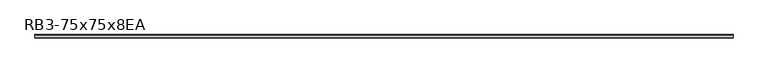
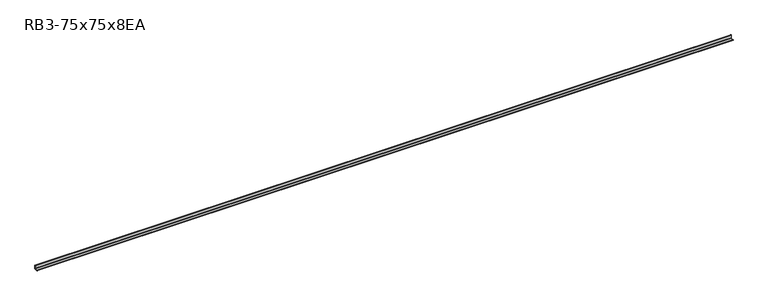
"""IFC4 building model written with IfcOpenShell, lengths in millimetres: member geometry, RB3-75x75x8EA."""

from ifc_helpers import new_model, si_unit, point, frame, frame_2d, origin, place, context, project, spatial, polyline, circle_curve, trimmed, segment, composite_curve, outline, extrude, source, transform, mapped, element, save


def rb3_75x75x8ea_7a21a233(model_context):
    return source(origin(), model_context, "Body", "SweptSolid", [
        extrude(outline(composite_curve([segment(polyline([(21.3, -21.3), (-53.7, -21.3), (-53.7, -18.3)]), True, "CONTINUOUS"), segment(trimmed(circle_curve(frame_2d((-48.7, -18.3)), 5.0), [point((-53.7, -18.3))], [point((-48.7, -13.3))], False, "CARTESIAN"), True, "CONTINUOUS"), segment(polyline([(-48.7, -13.3), (5.3, -13.3)]), True, "CONTINUOUS"), segment(trimmed(circle_curve(frame_2d((5.3, -5.3)), 8.0), [point((5.3, -13.3))], [point((13.3, -5.3))], True, "CARTESIAN"), True, "CONTINUOUS"), segment(polyline([(13.3, -5.3), (13.3, 48.7)]), True, "CONTINUOUS"), segment(trimmed(circle_curve(frame_2d((18.3, 48.7)), 5.0), [point((13.3, 48.7))], [point((18.3, 53.7))], False, "CARTESIAN"), True, "CONTINUOUS"), segment(polyline([(18.3, 53.7), (21.3, 53.7), (21.3, -21.3)]), True, "CONTINUOUS")], self_intersect=False)), frame((-7296.0, 0.0, 0.0), z_axis=(1.0, 0.0, 0.0), x_axis=(0.0, 1.0, 0.0)), (0.0, 0.0, 1.0), 14676.9269307),
    ])


if __name__ == "__main__":
    model = new_model("IFC4")
    model_context = context("Model", 3, world=origin())
    ifc_project = project(units=[si_unit("LENGTHUNIT", "METRE", prefix="MILLI")], contexts=[model_context])
    site = spatial("IfcSite", under=ifc_project)
    building = spatial("IfcBuilding", under=site)
    placement = place(None, origin())
    rb3_75x75x8ea_shape = rb3_75x75x8ea_7a21a233(model_context)
    element("IfcMember", 1, ObjectType="RB3-75x75x8EA", at=placement, inside=building, context=model_context, shape_type="MappedRepresentation", body=[
        mapped(rb3_75x75x8ea_shape, transform((0.0, 0.0, 0.0), x_axis=(1.0, 0.0, 0.0), y_axis=(0.0, 1.0, 0.0), z_axis=(0.0, 0.0, 1.0))),
    ])
    save(model, "model.ifc")
